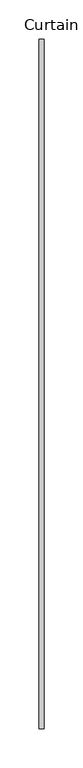
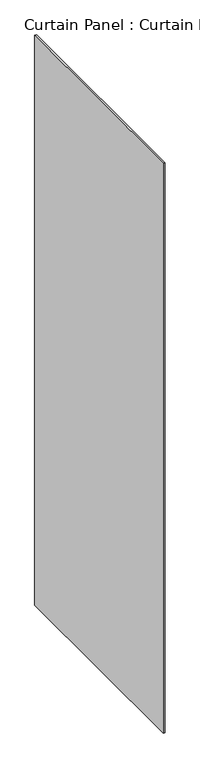
"""IFC4 building model written with IfcOpenShell, lengths in millimetres: plate geometry, Curtain Panel : Curtain Panel."""

from ifc_helpers import new_model, si_unit, frame, origin, place, context, project, spatial, polyline, outline, extrude, source, transform, mapped, element, save


def curtain_panel_curtain_panel_6483f6b5(model_context):
    return source(origin(), model_context, "Body", "SweptSolid", [
        extrude(outline(polyline([(-34596.2104182, 4992.3402268), (-34596.2104182, 4109.8807268), (-34602.5604182, 4109.8807268), (-34602.5604182, 4992.3402268), (-34596.2104182, 4992.3402268)])), frame((0.0, 0.0, 41.3676257), z_axis=(0.0, 0.0, 1.0), x_axis=(1.0, 0.0, 0.0)), (0.0, 0.0, 1.0), 2380.7095982),
    ])


if __name__ == "__main__":
    model = new_model("IFC4")
    model_context = context("Model", 3, world=origin())
    ifc_project = project(units=[si_unit("LENGTHUNIT", "METRE", prefix="MILLI")], contexts=[model_context])
    site = spatial("IfcSite", under=ifc_project)
    building = spatial("IfcBuilding", under=site)
    placement = place(None, origin())
    curtain_panel_curtain_panel_shape = curtain_panel_curtain_panel_6483f6b5(model_context)
    element("IfcPlate", 1, ObjectType="Curtain Panel : Curtain Panel", at=placement, inside=building, context=model_context, shape_type="MappedRepresentation", body=[
        mapped(curtain_panel_curtain_panel_shape, transform((0.0, 0.0, 0.0), x_axis=(1.0, 0.0, 0.0), y_axis=(0.0, 1.0, 0.0), z_axis=(0.0, 0.0, 1.0))),
    ])
    save(model, "model.ifc")
